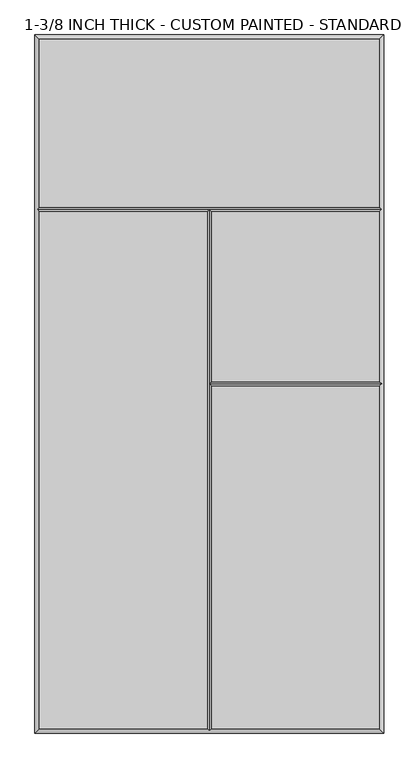
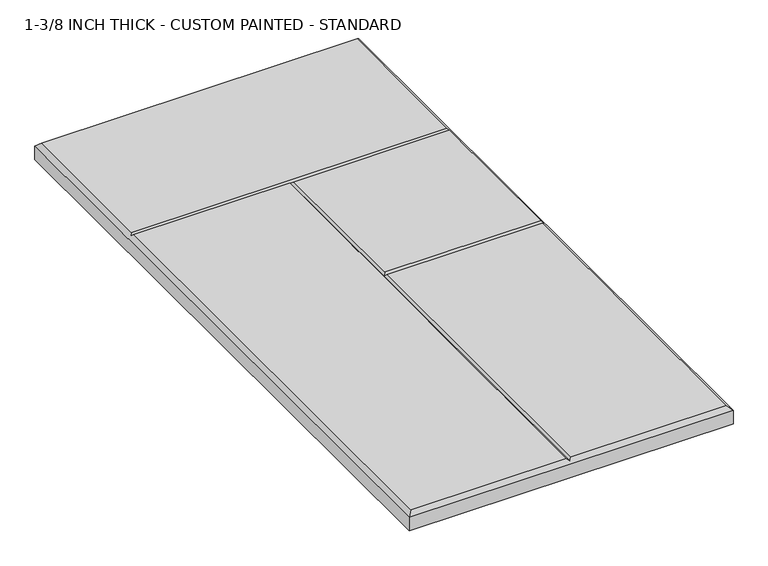
"""IFC4 building model written with IfcOpenShell, lengths in millimetres: proxy geometry, 1-3/8 INCH THICK - CUSTOM PAINTED - STANDARD."""

from ifc_helpers import new_model, si_unit, origin, place, context, project, spatial, faceted_brep, source, transform, mapped, element, save


def proxy_1_3_8_inch_thick_custom_painted_standard_e87cd349(model_context):
    return source(origin(), model_context, "Body", "Brep", [
        faceted_brep([(296.799, 601.599, 34.925), (-296.799, 601.599, 34.925), (-296.799, 308.8005, 34.925), (296.799, 308.8005, 34.925), (-296.799, 300.7995, 34.925), (-296.799, -601.599, 34.925), (-4.0005, -601.599, 34.925), (-4.0005, 300.7995, 34.925), (4.0005, -601.599, 34.925), (296.799, -601.599, 34.925), (296.799, -4.0005, 34.925), (4.0005, -4.0005, 34.925), (296.799, 300.7995, 34.925), (4.0005, 300.7995, 34.925), (4.0005, 4.0005, 34.925), (296.799, 4.0005, 34.925), (-304.8, 609.6, 0.0), (304.8, 609.6, 0.0), (304.8, -609.6, 0.0), (-304.8, -609.6, 0.0), (-304.8, -609.6, 26.924), (-304.8, 609.6, 26.924), (304.8, -609.6, 26.924), (304.8, 609.6, 26.924), (-300.7995, 304.8, 30.9245), (0.0, -605.5995, 30.9245), (300.7995, 304.8, 30.9245), (300.7995, 0.0, 30.9245), (0.0, 304.8, 30.9245), (0.0, 0.0, 30.9245)], [[[0, 1, 2, 3]], [[4, 5, 6, 7]], [[8, 9, 10, 11]], [[12, 13, 14, 15]], [[16, 17, 18, 19]], [[16, 19, 20, 21]], [[19, 18, 22, 20]], [[18, 17, 23, 22]], [[17, 16, 21, 23]], [[21, 1, 0, 23]], [[1, 21, 20, 5, 4, 24, 2]], [[5, 20, 22, 9, 8, 25, 6]], [[23, 0, 3, 26, 12, 15, 27, 10, 9, 22]], [[24, 4, 7, 28]], [[12, 26, 28, 13]], [[3, 2, 24, 28, 26]], [[25, 8, 11, 29]], [[13, 28, 29, 14]], [[7, 6, 25, 29, 28]], [[27, 29, 11, 10]], [[29, 27, 15, 14]]]),
    ])


if __name__ == "__main__":
    model = new_model("IFC4")
    model_context = context("Model", 3, world=origin())
    ifc_project = project(units=[si_unit("LENGTHUNIT", "METRE", prefix="MILLI")], contexts=[model_context])
    site = spatial("IfcSite", under=ifc_project)
    building = spatial("IfcBuilding", under=site)
    placement = place(None, origin())
    proxy_1_3_8_inch_thick_custom_painted_standard_shape = proxy_1_3_8_inch_thick_custom_painted_standard_e87cd349(model_context)
    element("IfcBuildingElementProxy", 1, Name="1-3/8 INCH THICK - CUSTOM PAINTED - STANDARD", ObjectType="1-3/8 INCH THICK - CUSTOM PAINTED - STANDARD", at=placement, inside=building, context=model_context, shape_type="MappedRepresentation", body=[
        mapped(proxy_1_3_8_inch_thick_custom_painted_standard_shape, transform((0.0, 0.0, 0.0), x_axis=(1.0, 0.0, 0.0), y_axis=(0.0, 1.0, 0.0), z_axis=(0.0, 0.0, 1.0))),
    ])
    save(model, "model.ifc")
